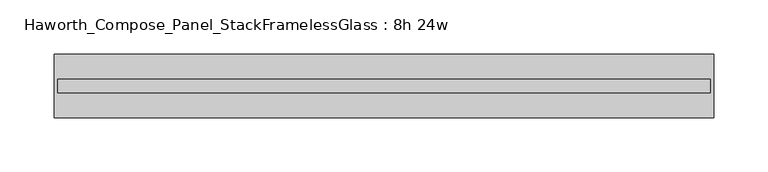
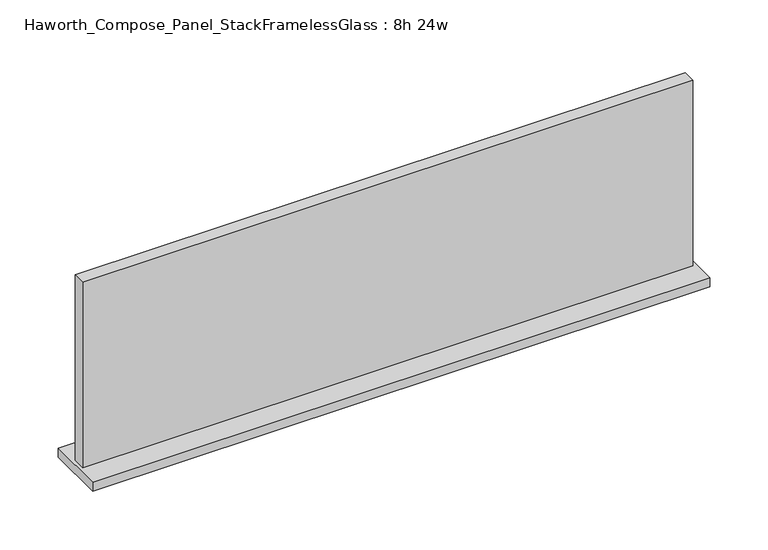
"""IFC4 building model written with IfcOpenShell, lengths in millimetres: furniture geometry, Haworth_Compose_Panel_StackFramelessGlass : 8h 24w."""

from ifc_helpers import new_model, si_unit, frame, origin, place, context, project, spatial, polyline, outline, extrude, source, transform, mapped, element, save


def haworth_compose_panel_stackframelessglass_8h_24w_1acb6930(model_context):
    return source(origin(), model_context, "Body", "SweptSolid", [
        extrude(outline(polyline([(304.0652902, -27.3093594), (-299.1847098, -27.3093594), (-299.1847098, -14.6093594), (304.0652902, -14.6093594), (304.0652902, -27.3093594)])), frame((0.0, 0.0, 1279.525), z_axis=(0.0, 0.0, 1.0), x_axis=(1.0, 0.0, 0.0)), (0.0, 0.0, 1.0), 193.675),
        extrude(outline(polyline([(-302.3597098, -50.3281094), (-302.3597098, 8.4093906), (307.2402902, 8.4093906), (307.2402902, -50.3281094), (-302.3597098, -50.3281094)])), frame((0.0, 0.0, 1270.0), z_axis=(0.0, 0.0, 1.0), x_axis=(1.0, 0.0, 0.0)), (0.0, 0.0, 1.0), 9.525),
    ])


if __name__ == "__main__":
    model = new_model("IFC4")
    model_context = context("Model", 3, world=origin())
    ifc_project = project(units=[si_unit("LENGTHUNIT", "METRE", prefix="MILLI")], contexts=[model_context])
    site = spatial("IfcSite", under=ifc_project)
    building = spatial("IfcBuilding", under=site)
    placement = place(None, origin())
    haworth_compose_panel_stackframelessglass_8h_24w_shape = haworth_compose_panel_stackframelessglass_8h_24w_1acb6930(model_context)
    element("IfcFurniture", 1, ObjectType="Haworth_Compose_Panel_StackFramelessGlass : 8h 24w", at=placement, inside=building, context=model_context, shape_type="MappedRepresentation", body=[
        mapped(haworth_compose_panel_stackframelessglass_8h_24w_shape, transform((0.0, 0.0, 0.0), x_axis=(1.0, 0.0, 0.0), y_axis=(0.0, 1.0, 0.0), z_axis=(0.0, 0.0, 1.0))),
    ])
    save(model, "model.ifc")
